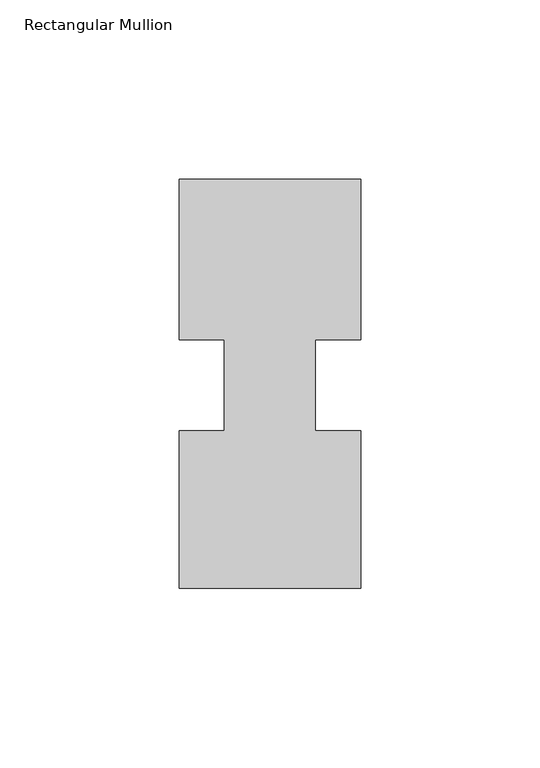
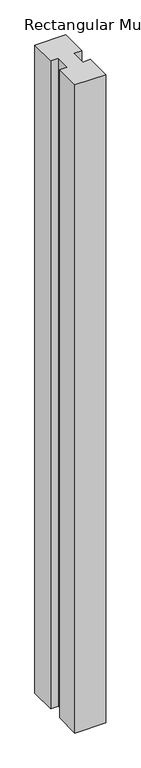
"""IFC4 building model written with IfcOpenShell, lengths in millimetres: member geometry, Rectangular Mullion."""

from ifc_helpers import new_model, si_unit, frame, origin, place, context, project, spatial, polyline, outline, extrude, source, transform, mapped, element, save


def rectangular_mullion_32929700(model_context):
    return source(origin(), model_context, "Body", "SweptSolid", [
        extrude(outline(polyline([(29.7344027, 57.6460938), (29.7344027, 12.7), (17.0326322, 12.7), (17.0326322, -12.7), (29.7344027, -12.7), (29.7344027, -56.6539062), (-21.0655973, -56.6539062), (-21.0655973, -12.7), (-8.3655973, -12.7), (-8.3655973, 12.7), (-21.0655973, 12.7), (-21.0655973, 57.6460938), (29.7344027, 57.6460938)])), frame((0.0, 0.0, -1130.3), z_axis=(0.0, 0.0, 1.0), x_axis=(1.0, 0.0, 0.0)), (0.0, 0.0, 1.0), 1130.3),
    ])


if __name__ == "__main__":
    model = new_model("IFC4")
    model_context = context("Model", 3, world=origin())
    ifc_project = project(units=[si_unit("LENGTHUNIT", "METRE", prefix="MILLI")], contexts=[model_context])
    site = spatial("IfcSite", under=ifc_project)
    building = spatial("IfcBuilding", under=site)
    placement = place(None, origin())
    rectangular_mullion_shape = rectangular_mullion_32929700(model_context)
    element("IfcMember", 1, ObjectType="Rectangular Mullion", at=placement, inside=building, context=model_context, shape_type="MappedRepresentation", body=[
        mapped(rectangular_mullion_shape, transform((0.0, 0.0, 0.0), x_axis=(1.0, 0.0, 0.0), y_axis=(0.0, 1.0, 0.0), z_axis=(0.0, 0.0, 1.0))),
    ])
    save(model, "model.ifc")
